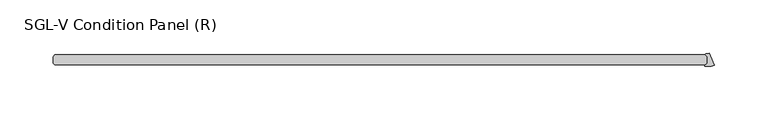
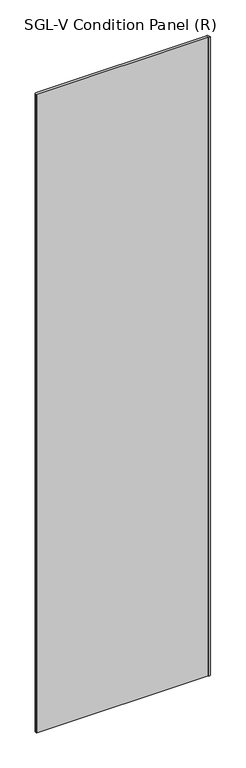
"""IFC4 building model written with IfcOpenShell, lengths in millimetres: plate geometry, SGL-V Condition Panel (R)."""

from ifc_helpers import new_model, si_unit, point, frame_2d, origin, origin_with_axes, place, context, project, spatial, polyline, circle_curve, trimmed, segment, composite_curve, outline, extrude, source, transform, mapped, element, save


def sgl_v_condition_panel_r_23b39c21(model_context):
    return source(origin(), model_context, "Body", "SweptSolid", [
        extrude(outline(composite_curve([segment(trimmed(circle_curve(frame_2d((300.4755618, 41.7299885)), 17.6705863), [point((306.6725389, 25.1816625))], [point((297.9925665, 24.2347219))], False, "CARTESIAN"), True, "CONTINUOUS"), segment(trimmed(circle_curve(frame_2d((298.0483337, 24.6276593)), 0.396875), [point((297.9925665, 24.2347219))], [point((297.7677007, 24.9082923))], False, "CARTESIAN"), True, "CONTINUOUS"), segment(polyline([(297.7677007, 24.9082923), (299.8469084, 26.9875), (299.8469084, 33.3375), (298.1404415, 35.0439669)]), True, "CONTINUOUS"), segment(trimmed(circle_curve(frame_2d((298.4210745, 35.3246)), 0.396875), [point((298.1404415, 35.0439669))], [point((298.4129947, 35.7213927))], False, "CARTESIAN"), True, "CONTINUOUS"), segment(trimmed(circle_curve(frame_2d((298.2456736, 43.938415)), 8.2187257), [point((298.4129947, 35.7213927))], [point((301.9435056, 36.5985587))], True, "CARTESIAN"), True, "CONTINUOUS"), segment(polyline([(301.9435056, 36.5985587), (306.6725389, 25.1816625)]), True, "CONTINUOUS")], self_intersect=False)), origin_with_axes(), (0.0, 0.0, 1.0), 2417.075),
        extrude(outline(polyline([(298.2594084, 25.4), (-315.515625, 25.4), (-317.103125, 26.9875), (-317.103125, 33.3375), (-315.515625, 34.925), (298.2594084, 34.925), (299.8469084, 33.3375), (299.8469084, 26.9875), (298.2594084, 25.4)])), origin_with_axes(), (0.0, 0.0, 1.0), 2417.075),
    ])


if __name__ == "__main__":
    model = new_model("IFC4")
    model_context = context("Model", 3, world=origin())
    ifc_project = project(units=[si_unit("LENGTHUNIT", "METRE", prefix="MILLI")], contexts=[model_context])
    site = spatial("IfcSite", under=ifc_project)
    building = spatial("IfcBuilding", under=site)
    placement = place(None, origin())
    sgl_v_condition_panel_r_shape = sgl_v_condition_panel_r_23b39c21(model_context)
    element("IfcPlate", 1, ObjectType="SGL-V Condition Panel (R)", at=placement, inside=building, context=model_context, shape_type="MappedRepresentation", body=[
        mapped(sgl_v_condition_panel_r_shape, transform((0.0, 0.0, 0.0), x_axis=(1.0, 0.0, 0.0), y_axis=(0.0, 1.0, 0.0), z_axis=(0.0, 0.0, 1.0))),
    ])
    save(model, "model.ifc")
